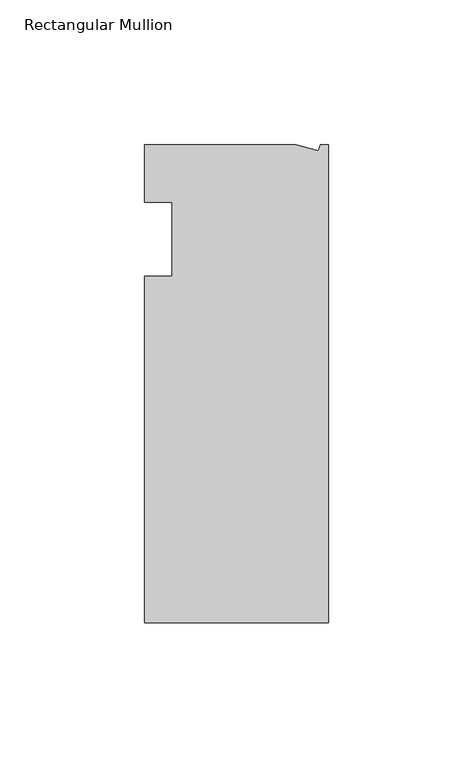
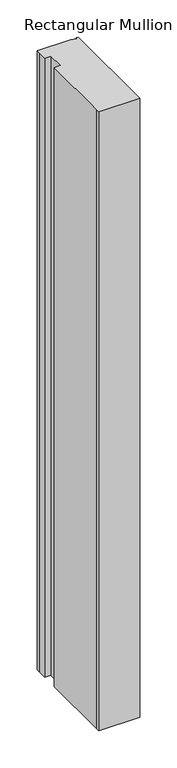
"""IFC4 building model written with IfcOpenShell, lengths in millimetres: member geometry, Rectangular Mullion."""

from ifc_helpers import new_model, si_unit, origin, place, context, project, spatial, faceted_brep, source, transform, mapped, element, save


def rectangular_mullion_0b64ef8a(model_context):
    return source(origin(), model_context, "Body", "Brep", [
        faceted_brep([(0.0, -132.5561012, 0.0), (0.0, 32.5438988, 0.0), (-2.7630634, 32.5438988, 0.0), (-3.3223696, 30.4565397, 0.0), (-11.1125, 32.5438988, 0.0), (-63.5076469, 32.5438988, 0.0), (-63.5076469, 26.1938988, 0.0), (-63.5, 12.7, 0.0), (-53.975, 12.7, 0.0), (-53.975, -12.8488281, 0.0), (-63.5, -12.8488281, 0.0), (-63.5, -126.2061012, 0.0), (-63.5, -132.5561012, 0.0), (0.0, -132.5561012, -1016.0), (-63.5, -132.5561012, -1016.0), (-63.5, -126.2061012, -1016.0), (-63.5, -12.8488281, -1016.0), (-53.975, -12.8488281, -1016.0), (-53.975, 12.7, -1016.0), (-63.5, 12.7, -1016.0), (-63.5, 26.1938988, -1016.0), (-63.5076469, 32.5438988, -1016.0), (-11.1125, 32.5438988, -1016.0), (-3.3223696, 30.4565397, -1016.0), (-2.7630634, 32.5438988, -1016.0), (0.0, 32.5438988, -1016.0)], [[[0, 1, 2, 3, 4, 5, 6, 7, 8, 9, 10, 11, 12]], [[13, 14, 15, 16, 17, 18, 19, 20, 21, 22, 23, 24, 25]], [[7, 6, 20, 19]], [[8, 7, 19, 18]], [[9, 8, 18, 17]], [[10, 9, 17, 16]], [[11, 10, 16, 15]], [[0, 12, 14, 13]], [[1, 0, 13, 25]], [[2, 1, 25, 24]], [[3, 2, 24, 23]], [[4, 3, 23, 22]], [[5, 4, 22, 21]], [[6, 5, 21, 20]], [[12, 11, 15, 14]]]),
    ])


if __name__ == "__main__":
    model = new_model("IFC4")
    model_context = context("Model", 3, world=origin())
    ifc_project = project(units=[si_unit("LENGTHUNIT", "METRE", prefix="MILLI")], contexts=[model_context])
    site = spatial("IfcSite", under=ifc_project)
    building = spatial("IfcBuilding", under=site)
    placement = place(None, origin())
    rectangular_mullion_shape = rectangular_mullion_0b64ef8a(model_context)
    element("IfcMember", 1, ObjectType="Rectangular Mullion", at=placement, inside=building, context=model_context, shape_type="MappedRepresentation", body=[
        mapped(rectangular_mullion_shape, transform((0.0, 0.0, 0.0), x_axis=(1.0, 0.0, 0.0), y_axis=(0.0, 1.0, 0.0), z_axis=(0.0, 0.0, 1.0))),
    ])
    save(model, "model.ifc")
